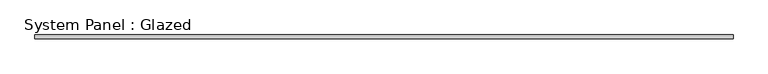
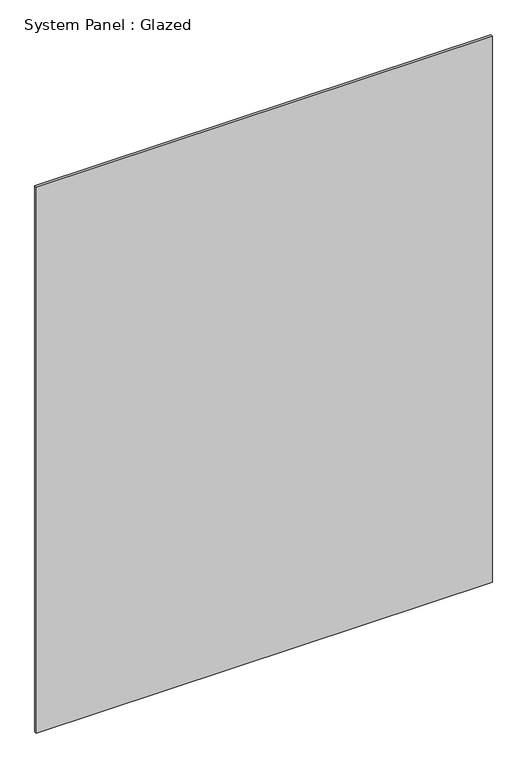
"""IFC4 building model written with IfcOpenShell, lengths in millimetres: plate geometry, System Panel : Glazed."""

from ifc_helpers import new_model, si_unit, origin, origin_with_axes, place, context, project, spatial, polyline, outline, extrude, source, transform, mapped, element, save


def system_panel_glazed_9c04b3e4(model_context):
    return source(origin(), model_context, "Body", "SweptSolid", [
        extrude(outline(polyline([(576.2653575, -3.175), (-576.2653575, -3.175), (-576.2653575, 3.175), (576.2653575, 3.175), (576.2653575, -3.175)])), origin_with_axes(), (0.0, 0.0, 1.0), 1457.330715),
    ])


if __name__ == "__main__":
    model = new_model("IFC4")
    model_context = context("Model", 3, world=origin())
    ifc_project = project(units=[si_unit("LENGTHUNIT", "METRE", prefix="MILLI")], contexts=[model_context])
    site = spatial("IfcSite", under=ifc_project)
    building = spatial("IfcBuilding", under=site)
    placement = place(None, origin())
    system_panel_glazed_shape = system_panel_glazed_9c04b3e4(model_context)
    element("IfcPlate", 1, ObjectType="System Panel : Glazed", at=placement, inside=building, context=model_context, shape_type="MappedRepresentation", body=[
        mapped(system_panel_glazed_shape, transform((0.0, 0.0, 0.0), x_axis=(1.0, 0.0, 0.0), y_axis=(0.0, 1.0, 0.0), z_axis=(0.0, 0.0, 1.0))),
    ])
    save(model, "model.ifc")
